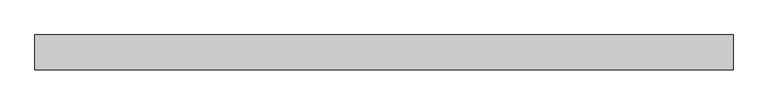
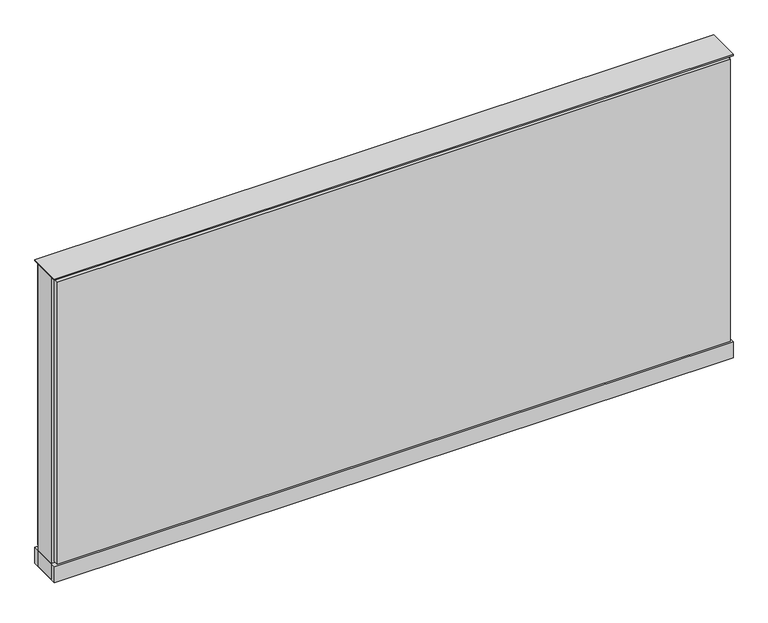
"""IFC4 building model written with IfcOpenShell, lengths in millimetres: furniture geometry."""

from ifc_helpers import new_model, si_unit, point, frame, frame_2d, origin, origin_with_axes, place, context, project, spatial, polyline, circle_curve, trimmed, segment, composite_curve, outline, extrude, source, transform, mapped, element, save


def furniture_27ed5f32(model_context):
    return source(origin(), model_context, "Body", "SweptSolid", [
        extrude(outline(composite_curve([segment(trimmed(circle_curve(frame_2d((688.2402902, 0.0)), 12.7), [point((675.5402902, 0.0))], [point((700.9402902, 0.0))], False, "CARTESIAN"), True, "CONTINUOUS"), segment(trimmed(circle_curve(frame_2d((688.2402902, 0.0)), 12.7), [point((700.9402902, 0.0))], [point((675.5402902, 0.0))], False, "CARTESIAN"), True, "CONTINUOUS")], self_intersect=False)), origin_with_axes(), (0.0, 0.0, 1.0), 12.7),
        extrude(outline(composite_curve([segment(trimmed(circle_curve(frame_2d((-683.3597098, 0.0)), 12.7), [point((-696.0597098, 0.0))], [point((-670.6597098, 0.0))], False, "CARTESIAN"), True, "CONTINUOUS"), segment(trimmed(circle_curve(frame_2d((-683.3597098, 0.0)), 12.7), [point((-670.6597098, 0.0))], [point((-696.0597098, 0.0))], False, "CARTESIAN"), True, "CONTINUOUS")], self_intersect=False)), origin_with_axes(), (0.0, 0.0, 1.0), 12.7),
        extrude(outline(polyline([(758.0902902, 38.1), (758.0902902, 25.4), (-753.2097098, 25.4), (-753.2097098, 38.1), (758.0902902, 38.1)])), frame((0.0, 0.0, 53.975), z_axis=(0.0, 0.0, 1.0), x_axis=(1.0, 0.0, 0.0)), (0.0, 0.0, 1.0), 669.925),
        extrude(outline(polyline([(758.0902902, -38.1), (-753.2097098, -38.1), (-753.2097098, -25.4), (758.0902902, -25.4), (758.0902902, -38.1)])), frame((0.0, 0.0, 53.975), z_axis=(0.0, 0.0, 1.0), x_axis=(1.0, 0.0, 0.0)), (0.0, 0.0, 1.0), 669.925),
        extrude(outline(polyline([(764.4402902, 25.4), (764.4402902, -25.4), (-759.5597098, -25.4), (-759.5597098, 25.4), (764.4402902, 25.4)])), frame((0.0, 0.0, 12.7), z_axis=(0.0, 0.0, 1.0), x_axis=(1.0, 0.0, 0.0)), (0.0, 0.0, 1.0), 717.55),
        extrude(outline(polyline([(-759.5597098, -38.1), (-759.5597098, 38.1), (764.4402902, 38.1), (764.4402902, -38.1), (-759.5597098, -38.1)])), frame((0.0, 0.0, 12.7), z_axis=(0.0, 0.0, 1.0), x_axis=(1.0, 0.0, 0.0)), (0.0, 0.0, 1.0), 38.1),
        extrude(outline(polyline([(-759.5597098, -38.1), (-759.5597098, 38.1), (764.4402902, 38.1), (764.4402902, -38.1), (-759.5597098, -38.1)])), frame((0.0, 0.0, 730.25), z_axis=(0.0, 0.0, 1.0), x_axis=(1.0, 0.0, 0.0)), (0.0, 0.0, 1.0), 3.175),
    ])


if __name__ == "__main__":
    model = new_model("IFC4")
    model_context = context("Model", 3, world=origin())
    ifc_project = project(units=[si_unit("LENGTHUNIT", "METRE", prefix="MILLI")], contexts=[model_context])
    site = spatial("IfcSite", under=ifc_project)
    building = spatial("IfcBuilding", under=site)
    placement = place(None, origin())
    furniture_shape = furniture_27ed5f32(model_context)
    element("IfcFurniture", 1, at=placement, inside=building, context=model_context, shape_type="MappedRepresentation", body=[
        mapped(furniture_shape, transform((0.0, 0.0, 0.0), x_axis=(1.0, 0.0, 0.0), y_axis=(0.0, 1.0, 0.0), z_axis=(0.0, 0.0, 1.0))),
    ])
    save(model, "model.ifc")
